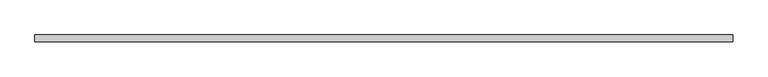
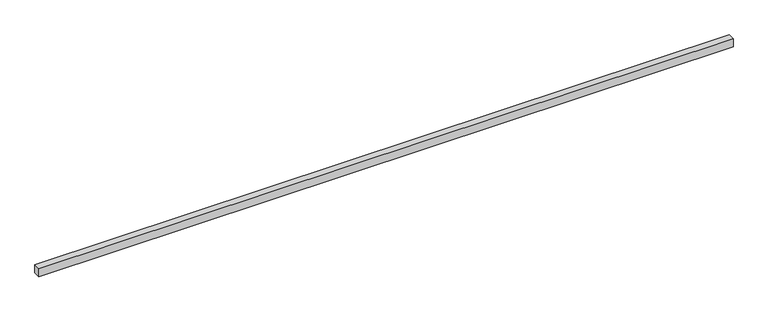
"""IFC4 building model written with IfcOpenShell, lengths in millimetres: proxy geometry."""

from ifc_helpers import new_model, si_unit, frame, origin, place, context, project, spatial, polyline, outline, extrude, source, transform, mapped, element, save


def generic_models_eb9c44a0(model_context):
    return source(origin(), model_context, "Body", "SweptSolid", [
        extrude(outline(polyline([(40.0, 0.0), (-40.0, 0.0), (-40.0, 8156.6105079), (40.0, 8156.6105079), (40.0, 0.0)])), frame((8156.6105079, 0.0, 0.0), z_axis=(0.0, -1.9783474858313244e-12, 1.0), x_axis=(0.0, 1.0, 1.9783474858313244e-12)), (0.0, 0.0, 1.0), 100.0),
    ])


if __name__ == "__main__":
    model = new_model("IFC4")
    model_context = context("Model", 3, world=origin())
    ifc_project = project(units=[si_unit("LENGTHUNIT", "METRE", prefix="MILLI")], contexts=[model_context])
    site = spatial("IfcSite", under=ifc_project)
    building = spatial("IfcBuilding", under=site)
    placement = place(None, origin())
    generic_models_shape = generic_models_eb9c44a0(model_context)
    element("IfcBuildingElementProxy", 1, Name="Generic Models", at=placement, inside=building, context=model_context, shape_type="MappedRepresentation", body=[
        mapped(generic_models_shape, transform((0.0, 0.0, 0.0), x_axis=(1.0, 0.0, 0.0), y_axis=(0.0, 1.0, 0.0), z_axis=(0.0, 0.0, 1.0))),
    ])
    save(model, "model.ifc")
